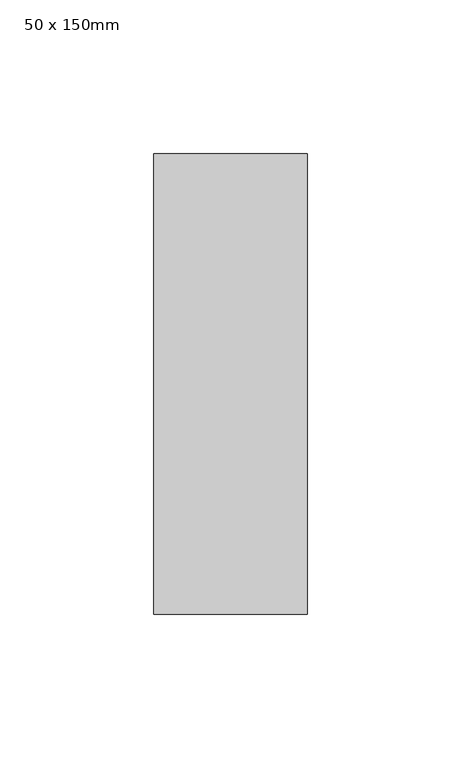
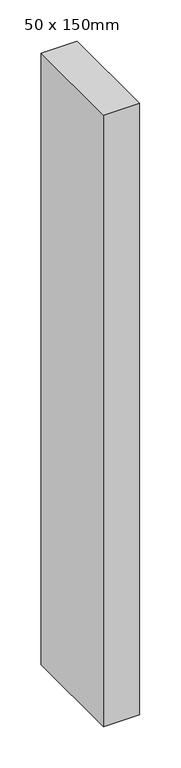
"""IFC4 building model written with IfcOpenShell, lengths in millimetres: member geometry, 50 x 150mm."""

from ifc_helpers import new_model, si_unit, frame, origin, place, context, project, spatial, polyline, outline, extrude, source, transform, mapped, element, save


def member_50_x_150mm_35d6a770(model_context):
    return source(origin(), model_context, "Body", "SweptSolid", [
        extrude(outline(polyline([(0.0, 75.0), (0.0, -75.0), (-50.0, -75.0), (-50.0, 75.0), (0.0, 75.0)])), frame((0.0, 0.0, -900.0), z_axis=(0.0, 0.0, 1.0), x_axis=(1.0, 0.0, 0.0)), (0.0, 0.0, 1.0), 900.0),
    ])


if __name__ == "__main__":
    model = new_model("IFC4")
    model_context = context("Model", 3, world=origin())
    ifc_project = project(units=[si_unit("LENGTHUNIT", "METRE", prefix="MILLI")], contexts=[model_context])
    site = spatial("IfcSite", under=ifc_project)
    building = spatial("IfcBuilding", under=site)
    placement = place(None, origin())
    member_50_x_150mm_shape = member_50_x_150mm_35d6a770(model_context)
    element("IfcMember", 1, ObjectType="50 x 150mm", at=placement, inside=building, context=model_context, shape_type="MappedRepresentation", body=[
        mapped(member_50_x_150mm_shape, transform((0.0, 0.0, 0.0), x_axis=(1.0, 0.0, 0.0), y_axis=(0.0, 1.0, 0.0), z_axis=(0.0, 0.0, 1.0))),
    ])
    save(model, "model.ifc")
